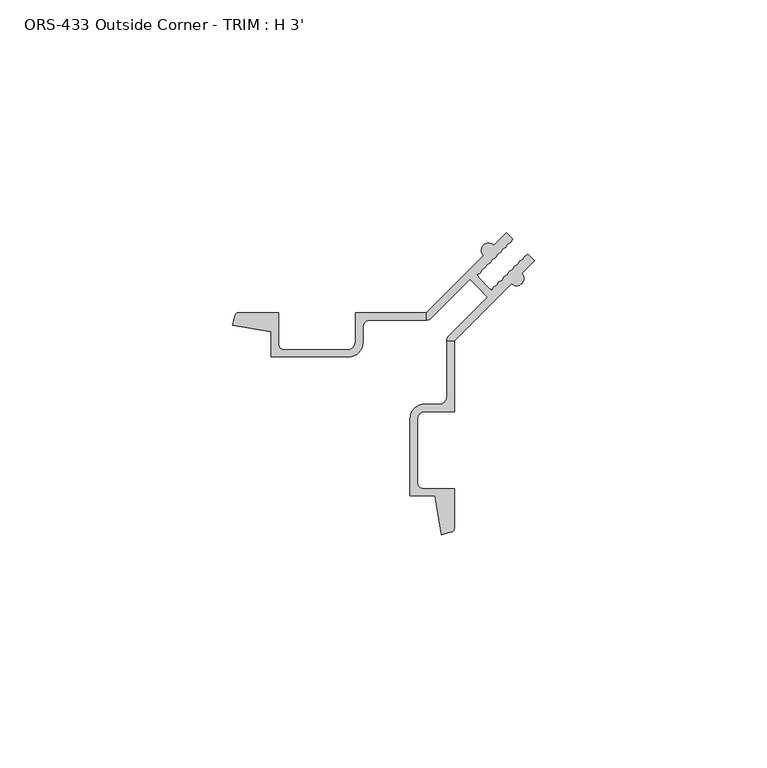
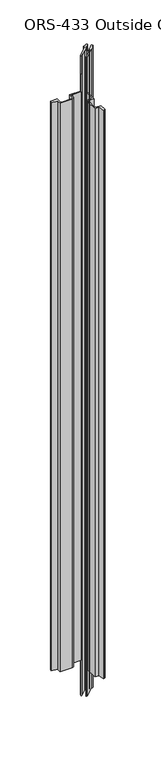
"""IFC4 building model written with IfcOpenShell, lengths in millimetres: proxy geometry, ORS-433 Outside Corner - TRIM : H 3'."""

from ifc_helpers import new_model, si_unit, frame, origin, place, context, project, spatial, polyline, circle_curve, source, transform, mapped, element, save
from ifc_brep_helpers import plane_surface, cylinder_surface, revolved_surface, advanced_brep


def ors_433_outside_corner_trim_h_3_21e04df9(model_context):
    return source(origin(), model_context, "Body", "AdvancedBrep", [
        advanced_brep(
        [(30.3216023, 36.3412035, 914.4), (18.0414703, 24.0610715, 914.4), (18.0414703, 22.4628693, 914.4), (19.1496667, 22.9312022, 914.4), (27.4206627, 31.2129722, 914.4), (29.3161603, 29.3199405, 914.4), (31.209192, 27.4244429, 914.4), (22.927422, 19.1534469, 914.4), (22.4590891, 18.0254304, 914.4), (24.0572913, 18.0452505, 914.4), (36.3374233, 30.3253825, 914.4), (38.5645269, 32.552486, 914.4), (41.267584, 35.2555431, 914.4), (39.8998636, 36.6232635, 914.4), (39.2053619, 36.2276971, 914.4), (38.7970087, 35.5204085, 914.4), (38.102507, 35.1248422, 914.4), (37.7202851, 34.4436849, 914.4), (37.0257937, 34.0263924, 914.4), (36.6085012, 33.3319011, 914.4), (35.9139996, 32.9363347, 914.4), (35.4639852, 32.187385, 914.4), (34.7694835, 31.7918187, 914.4), (34.3639869, 31.0873867, 914.4), (33.6694852, 30.6918204, 914.4), (33.2639886, 29.9873884, 914.4), (32.5694869, 29.5918221, 914.4), (32.1857226, 28.9091224, 914.4), (31.5195919, 29.3419685, 914.4), (29.3381883, 31.5233721, 914.4), (28.9053422, 32.1895028, 914.4), (29.5880419, 32.5732671, 914.4), (29.9836082, 33.2677688, 914.4), (30.6880402, 33.6732654, 914.4), (31.0836065, 34.3677671, 914.4), (31.7880385, 34.7732637, 914.4), (32.1836048, 35.4677654, 914.4), (32.9325545, 35.9177798, 914.4), (33.3281209, 36.6122814, 914.4), (34.0476129, 37.0445958, 914.4), (34.4399047, 37.7240653, 914.4), (35.121062, 38.1062872, 914.4), (35.5166283, 38.8007889, 914.4), (36.2239169, 39.2091421, 914.4), (36.6194832, 39.9036438, 914.4), (35.2517629, 41.2713642, 914.4), (32.5487058, 38.5683071, 914.4), (30.3216023, 36.3412035, 0.0), (32.5487058, 38.5683071, 0.0), (35.2517629, 41.2713642, 0.0), (36.6194832, 39.9036438, 0.0), (36.2239169, 39.2091421, 0.0), (35.5166283, 38.8007889, 0.0), (35.121062, 38.1062872, 0.0), (34.4399047, 37.7240653, 0.0), (34.0476129, 37.0445958, 0.0), (33.3281209, 36.6122814, 0.0), (32.9325545, 35.9177798, 0.0), (32.1836048, 35.4677654, 0.0), (31.7880385, 34.7732637, 0.0), (31.0836065, 34.3677671, 0.0), (30.6880402, 33.6732654, 0.0), (29.9836082, 33.2677688, 0.0), (29.5880419, 32.5732671, 0.0), (28.9053422, 32.1895028, 0.0), (29.3381883, 31.5233721, 0.0), (31.5195919, 29.3419685, 0.0), (32.1857226, 28.9091224, 0.0), (32.5694869, 29.5918221, 0.0), (33.2639886, 29.9873884, 0.0), (33.6694852, 30.6918204, 0.0), (34.3639869, 31.0873867, 0.0), (34.7694835, 31.7918187, 0.0), (35.4639852, 32.187385, 0.0), (35.9139996, 32.9363347, 0.0), (36.6085012, 33.3319011, 0.0), (37.0257937, 34.0263924, 0.0), (37.7202851, 34.4436849, 0.0), (38.102507, 35.1248422, 0.0), (38.7970087, 35.5204085, 0.0), (39.2053619, 36.2276971, 0.0), (39.8998636, 36.6232635, 0.0), (41.267584, 35.2555431, 0.0), (38.5645269, 32.552486, 0.0), (36.3374233, 30.3253825, 0.0), (24.0572913, 18.0452505, 0.0), (22.4590891, 18.0452505, 0.0), (22.927422, 19.1534469, 0.0), (31.209192, 27.4244429, 0.0), (29.3161603, 29.3199405, 0.0), (27.4206627, 31.2129722, 0.0), (19.1496667, 22.9312022, 0.0), (18.0216502, 22.4628693, 0.0), (18.0414703, 24.0610715, 0.0), (18.0414703, 24.0610715, 50.8), (18.0414703, 24.0610715, 863.6), (2.7760703, 24.0610715, 50.8), (2.7760703, 24.0610715, 863.6), (2.7760703, 17.6983715, 50.8), (2.7760703, 17.6983715, 863.6), (1.1885703, 16.1108715, 50.8), (1.1885703, 16.1108715, 863.6), (-12.4639297, 16.1108715, 50.8), (-12.4639297, 16.1108715, 863.6), (-13.7339297, 17.3808715, 50.8), (-13.7339297, 17.3808715, 863.6), (-13.7339297, 24.0610715, 50.8), (-13.7339297, 24.0610715, 863.6), (-22.2942816, 24.0610715, 50.8), (-22.2942816, 24.0610715, 863.6), (-23.0548743, 23.4974723, 50.8), (-23.0548743, 23.4974723, 863.6), (-23.6377036, 21.3549227, 50.8), (-23.6377036, 21.3549227, 863.6), (-15.3087297, 19.9287285, 50.8), (-15.3087297, 19.9287285, 863.6), (-15.3087297, 14.5610551, 50.8), (-15.3087297, 14.5610551, 863.6), (1.2844379, 14.5610551, 50.8), (1.2844379, 14.5610551, 863.6), (4.4092625, 17.6858797, 50.8), (4.4092625, 17.6858797, 863.6), (4.4092625, 20.8979271, 50.8), (4.4092625, 20.8979271, 863.6), (5.9742047, 22.4628693, 50.8), (5.9742047, 22.4628693, 863.6), (18.0216502, 22.4628693, 50.8), (18.0216502, 22.4628693, 863.6), (22.4592125, 18.0452505, 50.8), (22.4590891, 18.0254304, 863.6), (22.4590891, 5.9779849, 50.8), (22.4590891, 5.9779849, 863.6), (20.8941469, 4.4130427, 50.8), (20.8941469, 4.4130427, 863.6), (17.6820995, 4.4130427, 50.8), (17.6820995, 4.4130427, 863.6), (14.5572749, 1.2882181, 50.8), (14.5572749, 1.2882181, 863.6), (14.5572749, -15.3049495, 50.8), (14.5572749, -15.3049495, 863.6), (19.9249483, -15.3049495, 50.8), (19.9249483, -15.3049495, 863.6), (21.3511424, -23.6339234, 50.8), (21.3511424, -23.6339234, 863.6), (23.4936921, -23.0510941, 50.8), (23.4936921, -23.0510941, 863.6), (24.0572913, -22.2905014, 50.8), (24.0572913, -22.2905014, 863.6), (24.0572913, -13.7301495, 50.8), (24.0572913, -13.7301495, 863.6), (17.3770913, -13.7301495, 50.8), (17.3770913, -13.7301495, 863.6), (16.1070913, -12.4601495, 50.8), (16.1070913, -12.4601495, 863.6), (16.1070913, 1.1923505, 50.8), (16.1070913, 1.1923505, 863.6), (17.6945913, 2.7798505, 50.8), (17.6945913, 2.7798505, 863.6), (24.0572913, 2.7798505, 50.8), (24.0572913, 2.7798505, 863.6), (24.0572913, 18.0452505, 50.8), (24.0572913, 18.0452505, 863.6)],
        [
            (0, 1),
            (1, 2),
            (2, 3, circle_curve(frame((18.0216502, 24.0554939, 914.4), z_axis=(0.0, 0.0, 1.0), x_axis=(1.0, 0.0, 0.0)), 1.5926245)),
            (3, 4),
            (4, 5),
            (5, 6),
            (6, 7),
            (7, 8, circle_curve(frame((24.0517137, 18.0254304, 914.4), z_axis=(0.0, 0.0, 1.0), x_axis=(1.0, 0.0, 0.0)), 1.5926245)),
            (8, 9),
            (9, 10),
            (10, 11, circle_curve(frame((37.4509751, 31.4389342, 914.4), z_axis=(0.0, 0.0, 1.0), x_axis=(1.0, 0.0, 0.0)), 1.5748)),
            (11, 12),
            (12, 13),
            (13, 14),
            (14, 15),
            (15, 16),
            (16, 17),
            (17, 18),
            (18, 19),
            (19, 20),
            (20, 21),
            (21, 22),
            (22, 23),
            (23, 24),
            (24, 25),
            (25, 26),
            (26, 27),
            (27, 28),
            (28, 29),
            (29, 30),
            (30, 31),
            (31, 32),
            (32, 33),
            (33, 34),
            (34, 35),
            (35, 36),
            (36, 37),
            (37, 38),
            (38, 39),
            (39, 40),
            (40, 41),
            (41, 42),
            (42, 43),
            (43, 44),
            (44, 45),
            (45, 46),
            (46, 0, circle_curve(frame((31.435154, 37.4547553, 914.4), z_axis=(0.0, 0.0, 1.0), x_axis=(1.0, 0.0, 0.0)), 1.5748)),
            (47, 48, circle_curve(frame((31.435154, 37.4547553, 0.0), z_axis=(0.0, 0.0, -1.0), x_axis=(1.0, 0.0, 0.0)), 1.5748)),
            (48, 49),
            (49, 50),
            (50, 51),
            (51, 52),
            (52, 53),
            (53, 54),
            (54, 55),
            (55, 56),
            (56, 57),
            (57, 58),
            (58, 59),
            (59, 60),
            (60, 61),
            (61, 62),
            (62, 63),
            (63, 64),
            (64, 65),
            (65, 66),
            (66, 67),
            (67, 68),
            (68, 69),
            (69, 70),
            (70, 71),
            (71, 72),
            (72, 73),
            (73, 74),
            (74, 75),
            (75, 76),
            (76, 77),
            (77, 78),
            (78, 79),
            (79, 80),
            (80, 81),
            (81, 82),
            (82, 83),
            (83, 84, circle_curve(frame((37.4509751, 31.4389342, 0.0), z_axis=(0.0, 0.0, -1.0), x_axis=(1.0, 0.0, 0.0)), 1.5748)),
            (84, 85),
            (85, 86),
            (86, 87, circle_curve(frame((24.0517137, 18.0254304, 0.0), z_axis=(0.0, 0.0, -1.0), x_axis=(1.0, 0.0, 0.0)), 1.5926245)),
            (87, 88),
            (88, 89),
            (89, 90),
            (90, 91),
            (91, 92, circle_curve(frame((18.0216502, 24.0554939, 0.0), z_axis=(0.0, 0.0, -1.0), x_axis=(1.0, 0.0, 0.0)), 1.5926245)),
            (92, 93),
            (93, 47),
            (0, 47),
            (93, 94),
            (94, 95),
            (95, 1),
            (94, 96),
            (96, 97),
            (97, 95),
            (96, 98),
            (98, 99),
            (99, 97),
            (98, 100, circle_curve(frame((1.1885703, 17.6983715, 50.8), z_axis=(0.0, 0.0, -1.0), x_axis=(1.0, 0.0, 0.0)), 1.5875)),
            (100, 101),
            (101, 99, circle_curve(frame((1.1885703, 17.6983715, 863.6), z_axis=(0.0, 0.0, 1.0), x_axis=(1.0, 0.0, 0.0)), 1.5875)),
            (100, 102),
            (102, 103),
            (103, 101),
            (102, 104, circle_curve(frame((-12.4639297, 17.3808715, 50.8), z_axis=(0.0, 0.0, -1.0), x_axis=(1.0, 0.0, 0.0)), 1.27)),
            (104, 105),
            (105, 103, circle_curve(frame((-12.4639297, 17.3808715, 863.6), z_axis=(0.0, 0.0, 1.0), x_axis=(1.0, 0.0, 0.0)), 1.27)),
            (104, 106),
            (106, 107),
            (107, 105),
            (106, 108),
            (108, 109),
            (109, 107),
            (108, 110, circle_curve(frame((-22.2942816, 23.2660515, 50.8), z_axis=(0.0, 0.0, 1.0), x_axis=(1.0, 0.0, 0.0)), 0.79502)),
            (110, 111),
            (111, 109, circle_curve(frame((-22.2942816, 23.2660515, 863.6), z_axis=(0.0, 0.0, -1.0), x_axis=(1.0, 0.0, 0.0)), 0.79502)),
            (110, 112, circle_curve(frame((12.6346619, 12.6384421, 50.8), z_axis=(0.0, 0.0, 1.0), x_axis=(1.0, 0.0, 0.0)), 37.30498)),
            (112, 113),
            (113, 111, circle_curve(frame((12.6346619, 12.6384421, 863.6), z_axis=(0.0, 0.0, -1.0), x_axis=(1.0, 0.0, 0.0)), 37.30498)),
            (112, 114),
            (114, 115),
            (115, 113),
            (114, 116),
            (116, 117),
            (117, 115),
            (116, 118),
            (118, 119),
            (119, 117),
            (118, 120, circle_curve(frame((1.2844379, 17.6858797, 50.8), z_axis=(0.0, 0.0, 1.0), x_axis=(1.0, 0.0, 0.0)), 3.1248246)),
            (120, 121),
            (121, 119, circle_curve(frame((1.2844379, 17.6858797, 863.6), z_axis=(0.0, 0.0, -1.0), x_axis=(1.0, 0.0, 0.0)), 3.1248246)),
            (120, 122),
            (122, 123),
            (123, 121),
            (122, 124, circle_curve(frame((5.9742047, 20.8979271, 50.8), z_axis=(0.0, 0.0, -1.0), x_axis=(1.0, 0.0, 0.0)), 1.5649422)),
            (124, 125),
            (125, 123, circle_curve(frame((5.9742047, 20.8979271, 863.6), z_axis=(0.0, 0.0, 1.0), x_axis=(1.0, 0.0, 0.0)), 1.5649422)),
            (124, 126),
            (126, 127),
            (127, 125),
            (2, 127),
            (126, 92),
            (91, 3),
            (90, 4),
            (89, 5),
            (88, 6),
            (87, 7),
            (86, 128),
            (128, 129),
            (129, 8),
            (128, 130),
            (130, 131),
            (131, 129),
            (130, 132, circle_curve(frame((20.8941469, 5.9779849, 50.8), z_axis=(0.0, 0.0, -1.0), x_axis=(1.0, 0.0, 0.0)), 1.5649422)),
            (132, 133),
            (133, 131, circle_curve(frame((20.8941469, 5.9779849, 863.6), z_axis=(0.0, 0.0, 1.0), x_axis=(1.0, 0.0, 0.0)), 1.5649422)),
            (134, 135),
            (135, 133),
            (132, 134),
            (134, 136, circle_curve(frame((17.6820995, 1.2882181, 50.8), z_axis=(0.0, 0.0, 1.0), x_axis=(1.0, 0.0, 0.0)), 3.1248246)),
            (136, 137),
            (137, 135, circle_curve(frame((17.6820995, 1.2882181, 863.6), z_axis=(0.0, 0.0, -1.0), x_axis=(1.0, 0.0, 0.0)), 3.1248246)),
            (136, 138),
            (138, 139),
            (139, 137),
            (138, 140),
            (140, 141),
            (141, 139),
            (140, 142),
            (142, 143),
            (143, 141),
            (142, 144, circle_curve(frame((12.6346619, 12.6384421, 50.8), z_axis=(0.0, 0.0, 1.0), x_axis=(1.0, 0.0, 0.0)), 37.30498)),
            (144, 145),
            (145, 143, circle_curve(frame((12.6346619, 12.6384421, 863.6), z_axis=(0.0, 0.0, -1.0), x_axis=(1.0, 0.0, 0.0)), 37.30498)),
            (144, 146, circle_curve(frame((23.2622713, -22.2905014, 50.8), z_axis=(0.0, 0.0, 1.0), x_axis=(1.0, 0.0, 0.0)), 0.79502)),
            (146, 147),
            (147, 145, circle_curve(frame((23.2622713, -22.2905014, 863.6), z_axis=(0.0, 0.0, -1.0), x_axis=(1.0, 0.0, 0.0)), 0.79502)),
            (146, 148),
            (148, 149),
            (149, 147),
            (148, 150),
            (150, 151),
            (151, 149),
            (150, 152, circle_curve(frame((17.3770913, -12.4601495, 50.8), z_axis=(0.0, 0.0, -1.0), x_axis=(1.0, 0.0, 0.0)), 1.27)),
            (152, 153),
            (153, 151, circle_curve(frame((17.3770913, -12.4601495, 863.6), z_axis=(0.0, 0.0, 1.0), x_axis=(1.0, 0.0, 0.0)), 1.27)),
            (152, 154),
            (154, 155),
            (155, 153),
            (154, 156, circle_curve(frame((17.6945913, 1.1923505, 50.8), z_axis=(0.0, 0.0, -1.0), x_axis=(1.0, 0.0, 0.0)), 1.5875)),
            (156, 157),
            (157, 155, circle_curve(frame((17.6945913, 1.1923505, 863.6), z_axis=(0.0, 0.0, 1.0), x_axis=(1.0, 0.0, 0.0)), 1.5875)),
            (156, 158),
            (158, 159),
            (159, 157),
            (158, 160),
            (160, 161),
            (161, 159),
            (9, 161),
            (160, 85),
            (84, 10),
            (83, 11),
            (82, 12),
            (81, 13),
            (80, 14),
            (79, 15),
            (78, 16),
            (77, 17),
            (76, 18),
            (75, 19),
            (74, 20),
            (73, 21),
            (72, 22),
            (71, 23),
            (70, 24),
            (69, 25),
            (68, 26),
            (67, 27),
            (66, 28),
            (65, 29),
            (64, 30),
            (63, 31),
            (62, 32),
            (61, 33),
            (60, 34),
            (59, 35),
            (58, 36),
            (57, 37),
            (56, 38),
            (55, 39),
            (54, 40),
            (53, 41),
            (52, 42),
            (51, 43),
            (50, 44),
            (49, 45),
            (48, 46),
            (95, 127),
            (126, 94),
            (161, 129),
            (160, 128),
        ],
        [
            plane_surface(frame((18.0414703, 24.0610715, 914.4), z_axis=(0.0, 0.0, 1.0000000000000002), x_axis=(-0.7071067811870301, -0.7071067811860651, 0.0))),
            plane_surface(frame((18.0414703, 24.0610715, 0.0), z_axis=(0.0, 0.0, -1.0000000000000002), x_axis=(0.7071067811870301, 0.7071067811860651, 0.0))),
            plane_surface(frame((30.3216023, 36.3412035, 914.4), z_axis=(-0.7071067811860651, 0.7071067811870301, 0.0), x_axis=(0.0, 0.0, -1.0))),
            plane_surface(frame((18.0414703, 24.0610715, 914.4), z_axis=(0.0, 1.0, 0.0), x_axis=(0.0, 0.0, -1.0))),
            plane_surface(frame((2.7760703, 24.0610715, 914.4), z_axis=(-1.0, 0.0, 0.0), x_axis=(0.0, 0.0, -1.0))),
            revolved_surface(polyline([(2.7760702999999998, 17.6983715, 50.8), (2.7760702999999998, 17.6983715, 863.6)]), (1.1885703, 17.6983715, 0.0), (0.0, 0.0, -1.0)),
            plane_surface(frame((1.1885703, 16.1108715, 914.4), z_axis=(0.0, 1.0, 0.0), x_axis=(0.0, 0.0, -1.0))),
            revolved_surface(polyline([(-11.1939297, 17.3808715, 50.8), (-11.1939297, 17.3808715, 863.6)]), (-12.4639297, 17.3808715, 0.0), (0.0, 0.0, -1.0)),
            plane_surface(frame((-13.7339297, 17.3808715, 914.4), z_axis=(1.0, 0.0, 0.0), x_axis=(0.0, 0.0, -1.0))),
            plane_surface(frame((-13.7339297, 24.0610715, 914.4), z_axis=(0.0, 1.0, 0.0), x_axis=(0.0, 0.0, -1.0))),
            cylinder_surface(frame((-22.2942816, 23.2660515, 0.0), z_axis=(0.0, 0.0, 1.0), x_axis=(1.0, 0.0, 0.0)), 0.79502),
            cylinder_surface(frame((12.6346619, 12.6384421, 0.0), z_axis=(0.0, 0.0, 1.0), x_axis=(1.0, 0.0, 0.0)), 37.30498),
            plane_surface(frame((-23.6377036, 21.3549227, 914.4), z_axis=(-0.16877643140259416, -0.9856543593993817, 0.0), x_axis=(0.0, 0.0, -1.0))),
            plane_surface(frame((-15.3087297, 19.9287285, 914.4), z_axis=(-1.0, 0.0, 0.0), x_axis=(0.0, 0.0, -1.0))),
            plane_surface(frame((-15.3087297, 14.5610551, 914.4), z_axis=(0.0, -1.0, 0.0), x_axis=(0.0, 0.0, -1.0))),
            cylinder_surface(frame((1.2844379, 17.6858797, 0.0), z_axis=(0.0, 0.0, 1.0), x_axis=(1.0, 0.0, 0.0)), 3.1248246),
            plane_surface(frame((4.4092625, 17.6858797, 914.4), z_axis=(1.0, 0.0, 0.0), x_axis=(0.0, 0.0, -1.0))),
            revolved_surface(polyline([(7.5391468999999995, 20.8979271, 50.8), (7.5391468999999995, 20.8979271, 863.6)]), (5.9742047, 20.8979271, 0.0), (0.0, 0.0, -1.0)),
            plane_surface(frame((5.9742047, 22.4628693, 914.4), z_axis=(0.0, -1.0, 0.0), x_axis=(0.0, 0.0, -1.0))),
            cylinder_surface(frame((18.0216502, 24.0554939, 0.0), z_axis=(0.0, 0.0, 1.0), x_axis=(1.0, 0.0, 0.0)), 1.5926245),
            plane_surface(frame((19.1496667, 22.9312022, 914.4), z_axis=(0.7075668807467315, -0.7066463820542356, 0.0), x_axis=(0.0, 0.0, -1.0))),
            plane_surface(frame((27.4206627, 31.2129722, 914.4), z_axis=(-0.7066463820542394, -0.7075668807467277, 0.0), x_axis=(0.0, 0.0, -1.0))),
            plane_surface(frame((29.3161603, 29.3199405, 914.4), z_axis=(-0.707566880746452, -0.7066463820545156, 0.0), x_axis=(0.0, 0.0, -1.0))),
            plane_surface(frame((31.209192, 27.4244429, 914.4), z_axis=(-0.7066463820545136, 0.7075668807464538, 0.0), x_axis=(0.0, 0.0, -1.0))),
            cylinder_surface(frame((24.0517137, 18.0254304, 0.0), z_axis=(0.0, 0.0, 1.0), x_axis=(1.0, 0.0, 0.0)), 1.5926245),
            plane_surface(frame((22.4590891, 18.0254304, 914.4), z_axis=(-1.0, 0.0, 0.0), x_axis=(0.0, 0.0, -1.0))),
            revolved_surface(polyline([(22.4590891, 5.9779849, 50.8), (22.4590891, 5.9779849, 863.6)]), (20.8941469, 5.9779849, 0.0), (0.0, 0.0, -1.0)),
            plane_surface(frame((20.8941469, 4.4130427, 914.4), z_axis=(0.0, 1.0, 0.0), x_axis=(0.0, 0.0, -1.0))),
            cylinder_surface(frame((17.6820995, 1.2882181, 0.0), z_axis=(0.0, 0.0, 1.0), x_axis=(1.0, 0.0, 0.0)), 3.1248246),
            plane_surface(frame((14.5572749, 1.2882181, 914.4), z_axis=(-1.0, 0.0, 0.0), x_axis=(0.0, 0.0, -1.0))),
            plane_surface(frame((14.5572749, -15.3049495, 914.4), z_axis=(0.0, -1.0, 0.0), x_axis=(0.0, 0.0, -1.0))),
            plane_surface(frame((19.9249483, -15.3049495, 914.4), z_axis=(-0.9856543593987532, -0.16877643140626442, 0.0), x_axis=(0.0, 0.0, -1.0))),
            cylinder_surface(frame((23.2622713, -22.2905014, 0.0), z_axis=(0.0, 0.0, 1.0), x_axis=(1.0, 0.0, 0.0)), 0.79502),
            plane_surface(frame((24.0572913, -22.2905014, 914.4), z_axis=(1.0, 1.0485495735024034e-12, 0.0), x_axis=(0.0, 0.0, -1.0))),
            plane_surface(frame((24.0572913, -13.7301495, 914.4), z_axis=(0.0, 1.0, 0.0), x_axis=(0.0, 0.0, -1.0))),
            revolved_surface(polyline([(18.6470913, -12.4601495, 50.8), (18.6470913, -12.4601495, 863.6)]), (17.3770913, -12.4601495, 0.0), (0.0, 0.0, -1.0)),
            plane_surface(frame((16.1070913, -12.4601495, 914.4), z_axis=(1.0, 0.0, 0.0), x_axis=(0.0, 0.0, -1.0))),
            revolved_surface(polyline([(19.282091299999998, 1.1923505, 50.8), (19.282091299999998, 1.1923505, 863.6)]), (17.6945913, 1.1923505, 0.0), (0.0, 0.0, -1.0)),
            plane_surface(frame((17.6945913, 2.7798505, 914.4), z_axis=(0.0, -1.0, 0.0), x_axis=(0.0, 0.0, -1.0))),
            plane_surface(frame((24.0572913, 2.7798505, 914.4), z_axis=(1.0, 0.0, 0.0), x_axis=(0.0, 0.0, -1.0))),
            plane_surface(frame((24.0572913, 18.0452505, 914.4), z_axis=(0.7071067811863814, -0.7071067811867138, 0.0), x_axis=(0.0, 0.0, -1.0))),
            cylinder_surface(frame((37.4509751, 31.4389342, 0.0), z_axis=(0.0, 0.0, 1.0), x_axis=(1.0, 0.0, 0.0)), 1.5748),
            plane_surface(frame((38.5645269, 32.552486, 914.4), z_axis=(0.7071067811933328, -0.7071067811797623, 0.0), x_axis=(0.0, 0.0, -1.0))),
            plane_surface(frame((41.267584, 35.2555431, 914.4), z_axis=(0.7071067811844274, 0.7071067811886678, 0.0), x_axis=(0.0, 0.0, -1.0))),
            plane_surface(frame((39.8998636, 36.6232635, 914.4), z_axis=(-0.49492008941651605, 0.868938493273228, 0.0), x_axis=(0.0, 0.0, -1.0))),
            plane_surface(frame((39.2053619, 36.2276971, 914.4), z_axis=(-0.8660254037838334, 0.5000000000010483, 0.0), x_axis=(0.0, 0.0, -1.0))),
            plane_surface(frame((38.7970087, 35.5204085, 914.4), z_axis=(-0.49492008941652565, 0.8689384932732226, 0.0), x_axis=(0.0, 0.0, -1.0))),
            plane_surface(frame((38.102507, 35.1248422, 914.4), z_axis=(-0.8720833110562433, 0.48935743437407775, 0.0), x_axis=(0.0, 0.0, -1.0))),
            plane_surface(frame((37.7202851, 34.4436849, 914.4), z_axis=(-0.5150380749100452, 0.8571673007021178, 0.0), x_axis=(0.0, 0.0, -1.0))),
            plane_surface(frame((37.0257937, 34.0263924, 914.4), z_axis=(-0.8571673007014923, 0.5150380749110862, 0.0), x_axis=(0.0, 0.0, -1.0))),
            plane_surface(frame((36.6085012, 33.3319011, 914.4), z_axis=(-0.4949200894165229, 0.8689384932732241, 0.0), x_axis=(0.0, 0.0, -1.0))),
            plane_surface(frame((35.9139996, 32.9363347, 914.4), z_axis=(-0.8571673007014929, 0.5150380749110849, 0.0), x_axis=(0.0, 0.0, -1.0))),
            plane_surface(frame((35.4639852, 32.187385, 914.4), z_axis=(-0.49492008941653676, 0.8689384932732163, 0.0), x_axis=(0.0, 0.0, -1.0))),
            plane_surface(frame((34.7694835, 31.7918187, 914.4), z_axis=(-0.8666678863520235, 0.4988855327288176, 0.0), x_axis=(0.0, 0.0, -1.0))),
            plane_surface(frame((34.3639869, 31.0873867, 914.4), z_axis=(-0.4949200894165399, 0.8689384932732145, 0.0), x_axis=(0.0, 0.0, -1.0))),
            plane_surface(frame((33.6694852, 30.6918204, 914.4), z_axis=(-0.8666678863520224, 0.4988855327288195, 0.0), x_axis=(0.0, 0.0, -1.0))),
            plane_surface(frame((33.2639886, 29.9873884, 914.4), z_axis=(-0.4949200894165293, 0.8689384932732205, 0.0), x_axis=(0.0, 0.0, -1.0))),
            plane_surface(frame((32.5694869, 29.5918221, 914.4), z_axis=(-0.8717142162232341, 0.49001461736800545, 0.0), x_axis=(0.0, 0.0, -1.0))),
            plane_surface(frame((32.1857226, 28.9091224, 914.4), z_axis=(0.5448654294838686, 0.8385235022069205, 0.0), x_axis=(0.0, 0.0, -1.0))),
            plane_surface(frame((31.5195919, 29.3419685, 914.4), z_axis=(0.7071067811865476, 0.7071067811865476, 0.0), x_axis=(0.0, 0.0, -1.0))),
            plane_surface(frame((29.3381883, 31.5233721, 914.4), z_axis=(0.8385235022075742, 0.5448654294828625, 0.0), x_axis=(0.0, 0.0, -1.0))),
            plane_surface(frame((28.9053422, 32.1895028, 914.4), z_axis=(0.4900146173669532, -0.8717142162238256, 0.0), x_axis=(0.0, 0.0, -1.0))),
            plane_surface(frame((29.5880419, 32.5732671, 914.4), z_axis=(0.8689384932726237, -0.49492008941757715, 0.0), x_axis=(0.0, 0.0, -1.0))),
            plane_surface(frame((29.9836082, 33.2677688, 914.4), z_axis=(0.4988855327277707, -0.8666678863526263, 0.0), x_axis=(0.0, 0.0, -1.0))),
            plane_surface(frame((30.6880402, 33.6732654, 914.4), z_axis=(0.8689384932726151, -0.49492008941759236, 0.0), x_axis=(0.0, 0.0, -1.0))),
            plane_surface(frame((31.0836065, 34.3677671, 914.4), z_axis=(0.4988855327277697, -0.8666678863526267, 0.0), x_axis=(0.0, 0.0, -1.0))),
            plane_surface(frame((31.7880385, 34.7732637, 914.4), z_axis=(0.8689384932726185, -0.4949200894175863, 0.0), x_axis=(0.0, 0.0, -1.0))),
            plane_surface(frame((32.1836048, 35.4677654, 914.4), z_axis=(0.5150380749100545, -0.8571673007021122, 0.0), x_axis=(0.0, 0.0, -1.0))),
            plane_surface(frame((32.9325545, 35.9177798, 914.4), z_axis=(0.8689384932726225, -0.49492008941757926, 0.0), x_axis=(0.0, 0.0, -1.0))),
            plane_surface(frame((33.3281209, 36.6122814, 914.4), z_axis=(0.515038074910052, -0.8571673007021136, 0.0), x_axis=(0.0, 0.0, -1.0))),
            plane_surface(frame((34.0476129, 37.0445958, 914.4), z_axis=(0.8660254037838304, -0.5000000000010536, 0.0), x_axis=(0.0, 0.0, -1.0))),
            plane_surface(frame((34.4399047, 37.7240653, 914.4), z_axis=(0.4893574343730278, -0.8720833110568323, 0.0), x_axis=(0.0, 0.0, -1.0))),
            plane_surface(frame((35.121062, 38.1062872, 914.4), z_axis=(0.8689384932726248, -0.49492008941757526, 0.0), x_axis=(0.0, 0.0, -1.0))),
            plane_surface(frame((35.5166283, 38.8007889, 914.4), z_axis=(0.5000000000000022, -0.8660254037844375, 0.0), x_axis=(0.0, 0.0, -1.0))),
            plane_surface(frame((36.2239169, 39.2091421, 914.4), z_axis=(0.8689384932726318, -0.4949200894175629, 0.0), x_axis=(0.0, 0.0, -1.0))),
            plane_surface(frame((36.6194832, 39.9036438, 914.4), z_axis=(0.7071067811879592, 0.7071067811851359, 0.0), x_axis=(0.0, 0.0, -1.0))),
            plane_surface(frame((35.2517629, 41.2713642, 914.4), z_axis=(-0.7071067811873044, 0.7071067811857906, 0.0), x_axis=(0.0, 0.0, -1.0))),
            cylinder_surface(frame((31.435154, 37.4547553, 0.0), z_axis=(0.0, 0.0, 1.0), x_axis=(1.0, 0.0, 0.0)), 1.5748),
            plane_surface(frame((18.0414703, 4.4130427, 914.4), z_axis=(-1.0, 0.0, 0.0), x_axis=(0.0, 0.0, -1.0))),
            plane_surface(frame((18.0414703, 4.4130427, 863.6), z_axis=(0.0, 0.0, 1.0), x_axis=(-1.0, 0.0, 0.0))),
            plane_surface(frame((18.0414703, 24.0610715, 50.8), z_axis=(0.0, 0.0, -1.0), x_axis=(-1.0, 0.0, 0.0))),
            plane_surface(frame((66.04, -23.6339234, 863.6), z_axis=(0.0, 0.0, 1.0), x_axis=(-1.0, 0.0, 0.0))),
            plane_surface(frame((66.04, 18.0452505, 863.6), z_axis=(0.0, -1.0, 0.0), x_axis=(-1.0, 0.0, 0.0))),
            plane_surface(frame((66.04, 18.0452505, 0.0), z_axis=(0.0, -1.0, 0.0), x_axis=(-1.0, 0.0, 0.0))),
            plane_surface(frame((66.04, 18.0452505, 50.8), z_axis=(0.0, 0.0, -1.0), x_axis=(-1.0, 0.0, 0.0))),
        ],
        [
            (0, [[1, 2, 3, 4, 5, 6, 7, 8, 9, 10, 11, 12, 13, 14, 15, 16, 17, 18, 19, 20, 21, 22, 23, 24, 25, 26, 27, 28, 29, 30, 31, 32, 33, 34, 35, 36, 37, 38, 39, 40, 41, 42, 43, 44, 45, 46, 47]]),
            (1, [[48, 49, 50, 51, 52, 53, 54, 55, 56, 57, 58, 59, 60, 61, 62, 63, 64, 65, 66, 67, 68, 69, 70, 71, 72, 73, 74, 75, 76, 77, 78, 79, 80, 81, 82, 83, 84, 85, 86, 87, 88, 89, 90, 91, 92, 93, 94]]),
            (2, [[-1, 95, -94, 96, 97, 98]]),
            (3, [[-97, 99, 100, 101]]),
            (4, [[-100, 102, 103, 104]]),
            (5, [[-103, 105, 106, 107]]),
            (6, [[-106, 108, 109, 110]]),
            (7, [[-109, 111, 112, 113]]),
            (8, [[-112, 114, 115, 116]]),
            (9, [[-115, 117, 118, 119]]),
            (10, [[-118, 120, 121, 122]]),
            (11, [[-121, 123, 124, 125]]),
            (12, [[-124, 126, 127, 128]]),
            (13, [[-127, 129, 130, 131]]),
            (14, [[-130, 132, 133, 134]]),
            (15, [[-133, 135, 136, 137]]),
            (16, [[-136, 138, 139, 140]]),
            (17, [[-139, 141, 142, 143]]),
            (18, [[-142, 144, 145, 146]]),
            (19, [[-3, 147, -145, 148, -92, 149]]),
            (20, [[-4, -149, -91, 150]]),
            (21, [[-5, -150, -90, 151]]),
            (22, [[-6, -151, -89, 152]]),
            (23, [[-7, -152, -88, 153]]),
            (24, [[-8, -153, -87, 154, 155, 156]]),
            (25, [[-155, 157, 158, 159]]),
            (26, [[-158, 160, 161, 162]]),
            (27, [[163, 164, -161, 165]]),
            (28, [[-163, 166, 167, 168]]),
            (29, [[-167, 169, 170, 171]]),
            (30, [[-170, 172, 173, 174]]),
            (31, [[-173, 175, 176, 177]]),
            (11, [[-176, 178, 179, 180]]),
            (32, [[-179, 181, 182, 183]]),
            (33, [[-182, 184, 185, 186]]),
            (34, [[-185, 187, 188, 189]]),
            (35, [[-188, 190, 191, 192]]),
            (36, [[-191, 193, 194, 195]]),
            (37, [[-194, 196, 197, 198]]),
            (38, [[-197, 199, 200, 201]]),
            (39, [[-200, 202, 203, 204]]),
            (40, [[-10, 205, -203, 206, -85, 207]]),
            (41, [[-11, -207, -84, 208]]),
            (42, [[-12, -208, -83, 209]]),
            (43, [[-13, -209, -82, 210]]),
            (44, [[-14, -210, -81, 211]]),
            (45, [[-15, -211, -80, 212]]),
            (46, [[-16, -212, -79, 213]]),
            (47, [[-17, -213, -78, 214]]),
            (48, [[-18, -214, -77, 215]]),
            (49, [[-19, -215, -76, 216]]),
            (50, [[-20, -216, -75, 217]]),
            (51, [[-21, -217, -74, 218]]),
            (52, [[-22, -218, -73, 219]]),
            (53, [[-23, -219, -72, 220]]),
            (54, [[-24, -220, -71, 221]]),
            (55, [[-25, -221, -70, 222]]),
            (56, [[-26, -222, -69, 223]]),
            (57, [[-27, -223, -68, 224]]),
            (58, [[-28, -224, -67, 225]]),
            (59, [[-29, -225, -66, 226]]),
            (60, [[-30, -226, -65, 227]]),
            (61, [[-31, -227, -64, 228]]),
            (62, [[-32, -228, -63, 229]]),
            (63, [[-33, -229, -62, 230]]),
            (64, [[-34, -230, -61, 231]]),
            (65, [[-35, -231, -60, 232]]),
            (66, [[-36, -232, -59, 233]]),
            (67, [[-37, -233, -58, 234]]),
            (68, [[-38, -234, -57, 235]]),
            (69, [[-39, -235, -56, 236]]),
            (70, [[-40, -236, -55, 237]]),
            (71, [[-41, -237, -54, 238]]),
            (72, [[-42, -238, -53, 239]]),
            (73, [[-43, -239, -52, 240]]),
            (74, [[-44, -240, -51, 241]]),
            (75, [[-45, -241, -50, 242]]),
            (76, [[-46, -242, -49, 243]]),
            (77, [[-47, -243, -48, -95]]),
            (78, [[244, -147, -2, -98]]),
            (78, [[245, -96, -93, -148]]),
            (79, [[-244, -101, -104, -107, -110, -113, -116, -119, -122, -125, -128, -131, -134, -137, -140, -143, -146]]),
            (80, [[-245, -144, -141, -138, -135, -132, -129, -126, -123, -120, -117, -114, -111, -108, -105, -102, -99]]),
            (81, [[246, -159, -162, -164, -168, -171, -174, -177, -180, -183, -186, -189, -192, -195, -198, -201, -204]]),
            (82, [[-246, -205, -9, -156]]),
            (83, [[247, -154, -86, -206]]),
            (84, [[-247, -202, -199, -196, -193, -190, -187, -184, -181, -178, -175, -172, -169, -166, -165, -160, -157]]),
        ],
    ),
    ])


if __name__ == "__main__":
    model = new_model("IFC4")
    model_context = context("Model", 3, world=origin())
    ifc_project = project(units=[si_unit("LENGTHUNIT", "METRE", prefix="MILLI")], contexts=[model_context])
    site = spatial("IfcSite", under=ifc_project)
    building = spatial("IfcBuilding", under=site)
    placement = place(None, origin())
    ors_433_outside_corner_trim_h_3_shape = ors_433_outside_corner_trim_h_3_21e04df9(model_context)
    element("IfcBuildingElementProxy", 1, Name="ORS-433 Outside Corner - TRIM : H 3'", ObjectType="ORS-433 Outside Corner - TRIM : H 3'", at=placement, inside=building, context=model_context, shape_type="MappedRepresentation", body=[
        mapped(ors_433_outside_corner_trim_h_3_shape, transform((0.0, 0.0, 0.0), x_axis=(1.0, 0.0, 0.0), y_axis=(0.0, 1.0, 0.0), z_axis=(0.0, 0.0, 1.0))),
    ])
    save(model, "model.ifc")
